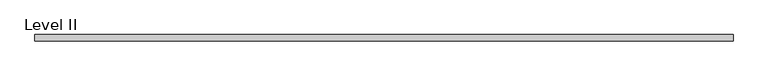
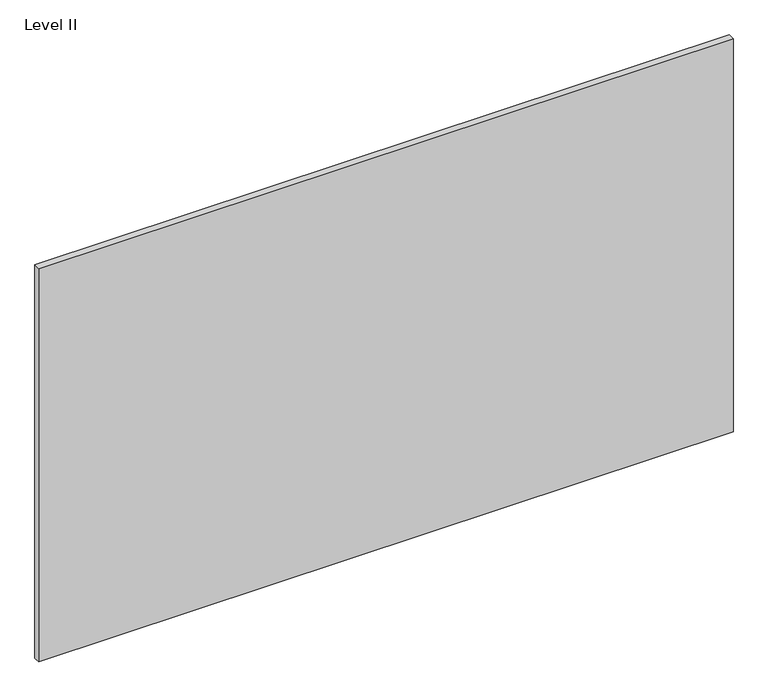
"""IFC4 building model written with IfcOpenShell, lengths in millimetres: proxy geometry, Level II."""

from ifc_helpers import new_model, si_unit, frame, origin, place, context, project, spatial, polyline, outline, extrude, source, transform, mapped, element, save


def level_ii_231fb084(model_context):
    return source(origin(), model_context, "Body", "SweptSolid", [
        extrude(outline(polyline([(1012.8305563, 9.525), (1012.8305563, -9.525), (-1012.8305562, -9.525), (-1012.8305562, 9.525), (1012.8305563, 9.525)])), frame((0.0, 0.0, 3.175), z_axis=(0.0, 0.0, 1.0), x_axis=(1.0, 0.0, 0.0)), (0.0, 0.0, 1.0), 1212.85),
    ])


if __name__ == "__main__":
    model = new_model("IFC4")
    model_context = context("Model", 3, world=origin())
    ifc_project = project(units=[si_unit("LENGTHUNIT", "METRE", prefix="MILLI")], contexts=[model_context])
    site = spatial("IfcSite", under=ifc_project)
    building = spatial("IfcBuilding", under=site)
    placement = place(None, origin())
    level_ii_shape = level_ii_231fb084(model_context)
    element("IfcBuildingElementProxy", 1, Name="Level II", ObjectType="Level II", at=placement, inside=building, context=model_context, shape_type="MappedRepresentation", body=[
        mapped(level_ii_shape, transform((0.0, 0.0, 0.0), x_axis=(1.0, 0.0, 0.0), y_axis=(0.0, 1.0, 0.0), z_axis=(0.0, 0.0, 1.0))),
    ])
    save(model, "model.ifc")
